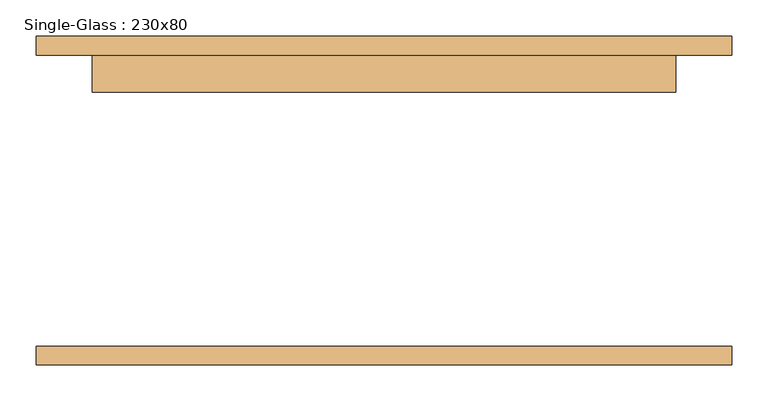
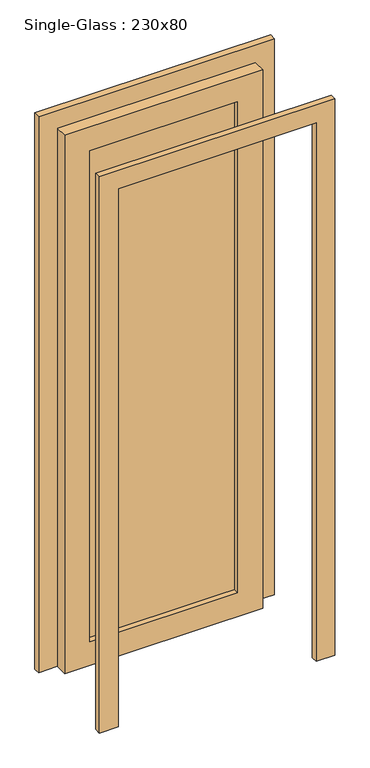
"""IFC4 building model written with IfcOpenShell, lengths in millimetres: door geometry, Single-Glass : 230x80."""

from ifc_helpers import new_model, si_unit, frame, origin, place, context, project, spatial, polyline, outline, extrude, source, transform, mapped, element, save


def single_glass_230x80_50d9f4e3(model_context):
    return source(origin(), model_context, "Body", "SweptSolid", [
        extrude(outline(polyline([(2300.0, 400.0), (0.0, 400.0), (0.0, 476.2), (2376.2, 476.2), (2376.2, -476.2), (0.0, -476.2), (0.0, -400.0), (2300.0, -400.0), (2300.0, 400.0)])), frame((0.0, -225.4, 0.0), z_axis=(0.0, 1.0, 0.0), x_axis=(0.0, 0.0, 1.0)), (0.0, 0.0, 1.0), 25.4),
        extrude(outline(polyline([(2300.0, 400.0), (0.0, 400.0), (0.0, 476.2), (2376.2, 476.2), (2376.2, -476.2), (0.0, -476.2), (0.0, -400.0), (2300.0, -400.0), (2300.0, 400.0)])), frame((0.0, 200.0, 0.0), z_axis=(0.0, 1.0, 0.0), x_axis=(0.0, 0.0, 1.0)), (0.0, 0.0, 1.0), 25.4),
        extrude(outline(polyline([(298.4, 171.425), (-298.4, 171.425), (-298.4, 177.775), (298.4, 177.775), (298.4, 171.425)])), frame((0.0, 0.0, 101.6), z_axis=(0.0, 0.0, 1.0), x_axis=(1.0, 0.0, 0.0)), (0.0, 0.0, 1.0), 2096.8),
        extrude(outline(polyline([(2300.0, 400.0), (2300.0, -400.0), (0.0, -400.0), (0.0, 400.0), (2300.0, 400.0)]), holes=[polyline([(2198.4, -298.4), (2198.4, 298.4), (101.6, 298.4), (101.6, -298.4), (2198.4, -298.4)])]), frame((0.0, 149.2, 0.0), z_axis=(0.0, 1.0, 0.0), x_axis=(0.0, 0.0, 1.0)), (0.0, 0.0, 1.0), 50.8),
    ])


if __name__ == "__main__":
    model = new_model("IFC4")
    model_context = context("Model", 3, world=origin())
    ifc_project = project(units=[si_unit("LENGTHUNIT", "METRE", prefix="MILLI")], contexts=[model_context])
    site = spatial("IfcSite", under=ifc_project)
    building = spatial("IfcBuilding", under=site)
    placement = place(None, origin())
    single_glass_230x80_shape = single_glass_230x80_50d9f4e3(model_context)
    element("IfcDoor", 1, ObjectType="Single-Glass : 230x80", at=placement, inside=building, context=model_context, shape_type="MappedRepresentation", body=[
        mapped(single_glass_230x80_shape, transform((0.0, 0.0, 0.0), x_axis=(1.0, 0.0, 0.0), y_axis=(0.0, 1.0, 0.0), z_axis=(0.0, 0.0, 1.0))),
    ])
    save(model, "model.ifc")
